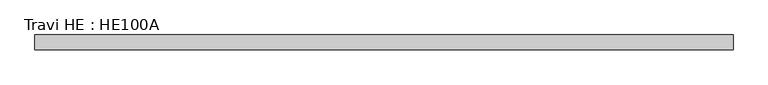
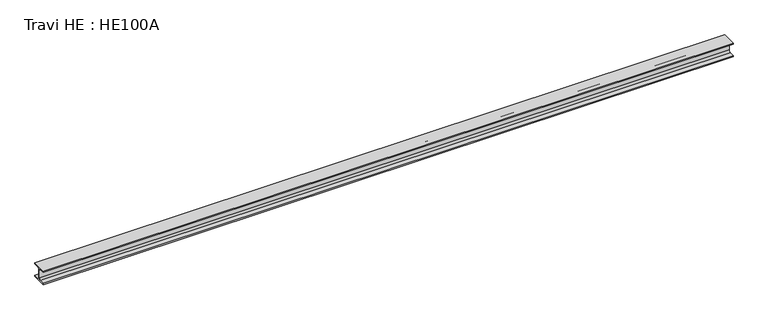
"""IFC4 building model written with IfcOpenShell, lengths in millimetres: beam geometry, Travi HE : HE100A."""

from ifc_helpers import new_model, si_unit, point, frame, frame_2d, origin, place, context, project, spatial, polyline, circle_curve, trimmed, segment, composite_curve, outline, extrude, source, transform, mapped, element, save


def travi_he_he100a_a01daec7(model_context):
    return source(origin(), model_context, "Body", "SweptSolid", [
        extrude(outline(composite_curve([segment(polyline([(50.0, -40.0), (50.0, -48.0), (-50.0, -48.0), (-50.0, -40.0), (-14.5, -40.0)]), True, "CONTINUOUS"), segment(trimmed(circle_curve(frame_2d((-14.5, -28.0)), 12.0), [point((-14.5, -40.0))], [point((-2.5, -28.0))], True, "CARTESIAN"), True, "CONTINUOUS"), segment(polyline([(-2.5, -28.0), (-2.5, 28.0)]), True, "CONTINUOUS"), segment(trimmed(circle_curve(frame_2d((-14.5, 28.0)), 12.0), [point((-2.5, 28.0))], [point((-14.5, 40.0))], True, "CARTESIAN"), True, "CONTINUOUS"), segment(polyline([(-14.5, 40.0), (-50.0, 40.0), (-50.0, 48.0), (50.0, 48.0), (50.0, 40.0), (14.5, 40.0)]), True, "CONTINUOUS"), segment(trimmed(circle_curve(frame_2d((14.5, 28.0)), 12.0), [point((14.5, 40.0))], [point((2.5, 28.0))], True, "CARTESIAN"), True, "CONTINUOUS"), segment(polyline([(2.5, 28.0), (2.5, -28.0)]), True, "CONTINUOUS"), segment(trimmed(circle_curve(frame_2d((14.5, -28.0)), 12.0), [point((2.5, -28.0))], [point((14.5, -40.0))], True, "CARTESIAN"), True, "CONTINUOUS"), segment(polyline([(14.5, -40.0), (50.0, -40.0)]), True, "CONTINUOUS")], self_intersect=False)), frame((-2344.5, 0.0, 0.0), z_axis=(1.0, 0.0, 0.0), x_axis=(0.0, 1.0, 0.0)), (0.0, 0.0, 1.0), 4689.0),
    ])


if __name__ == "__main__":
    model = new_model("IFC4")
    model_context = context("Model", 3, world=origin())
    ifc_project = project(units=[si_unit("LENGTHUNIT", "METRE", prefix="MILLI")], contexts=[model_context])
    site = spatial("IfcSite", under=ifc_project)
    building = spatial("IfcBuilding", under=site)
    placement = place(None, origin())
    travi_he_he100a_shape = travi_he_he100a_a01daec7(model_context)
    element("IfcBeam", 1, ObjectType="Travi HE : HE100A", at=placement, inside=building, context=model_context, shape_type="MappedRepresentation", body=[
        mapped(travi_he_he100a_shape, transform((0.0, 0.0, 0.0), x_axis=(1.0, 0.0, 0.0), y_axis=(0.0, 1.0, 0.0), z_axis=(0.0, 0.0, 1.0))),
    ])
    save(model, "model.ifc")
